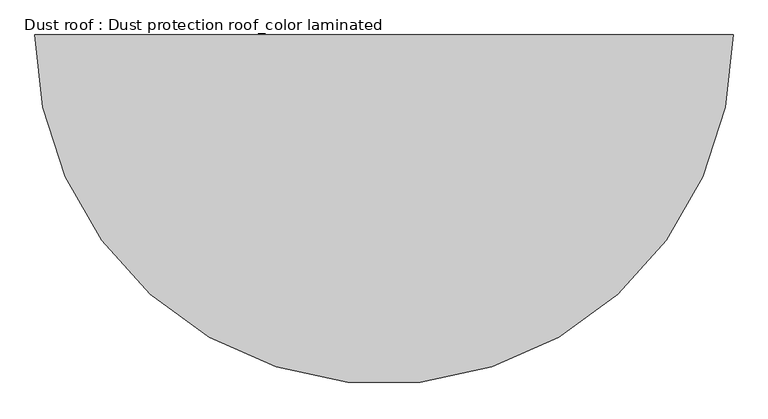
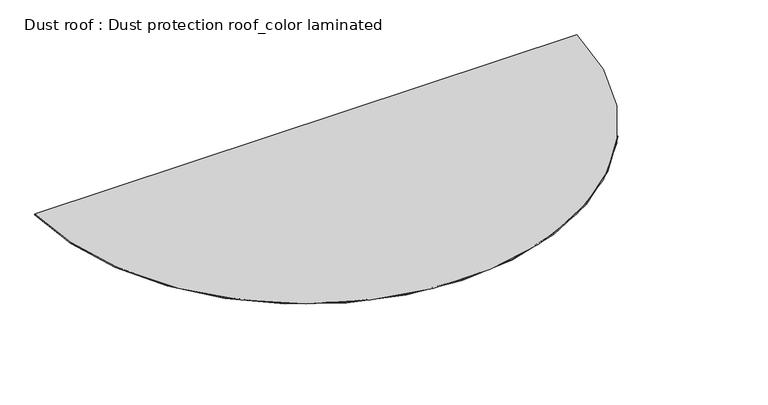
"""IFC4 building model written with IfcOpenShell, lengths in millimetres: proxy geometry, Dust roof : Dust protection roof_color laminated."""

from ifc_helpers import new_model, si_unit, point, origin, origin_with_axes, origin_2d, place, context, project, spatial, polyline, circle_curve, trimmed, segment, composite_curve, outline, extrude, source, transform, mapped, element, save


def dust_roof_dust_protection_roof_color_laminated_ea909a44(model_context):
    return source(origin(), model_context, "Body", "SweptSolid", [
        extrude(outline(composite_curve([segment(trimmed(circle_curve(origin_2d(), 3136.0), [point((3136.0, 0.0))], [point((-3136.0, 0.0))], False, "CARTESIAN"), True, "CONTINUOUS"), segment(polyline([(-3136.0, 0.0), (3136.0, 0.0)]), True, "CONTINUOUS")], self_intersect=False)), origin_with_axes(), (0.0, 0.0, 1.0), 10.0),
    ])


if __name__ == "__main__":
    model = new_model("IFC4")
    model_context = context("Model", 3, world=origin())
    ifc_project = project(units=[si_unit("LENGTHUNIT", "METRE", prefix="MILLI")], contexts=[model_context])
    site = spatial("IfcSite", under=ifc_project)
    building = spatial("IfcBuilding", under=site)
    placement = place(None, origin())
    dust_roof_dust_protection_roof_color_laminated_shape = dust_roof_dust_protection_roof_color_laminated_ea909a44(model_context)
    element("IfcBuildingElementProxy", 1, Name="Dust roof : Dust protection roof_color laminated", ObjectType="Dust roof : Dust protection roof_color laminated", at=placement, inside=building, context=model_context, shape_type="MappedRepresentation", body=[
        mapped(dust_roof_dust_protection_roof_color_laminated_shape, transform((0.0, 0.0, 0.0), x_axis=(1.0, 0.0, 0.0), y_axis=(0.0, 1.0, 0.0), z_axis=(0.0, 0.0, 1.0))),
    ])
    save(model, "model.ifc")
